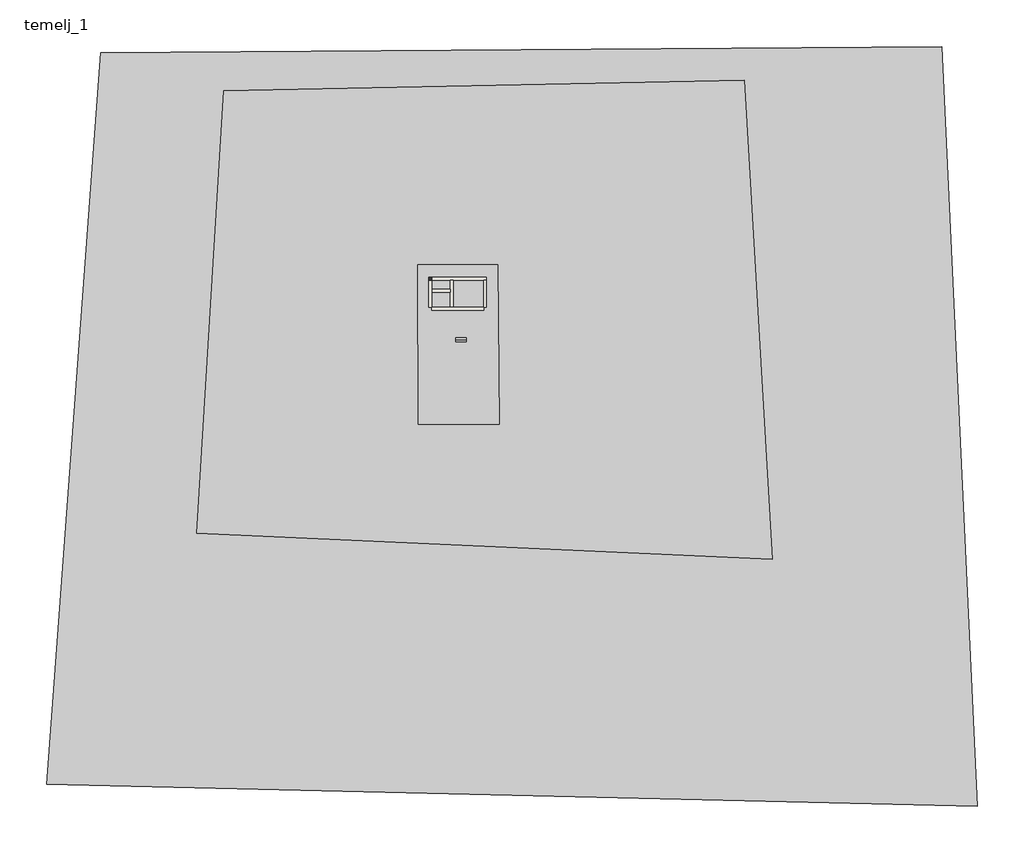
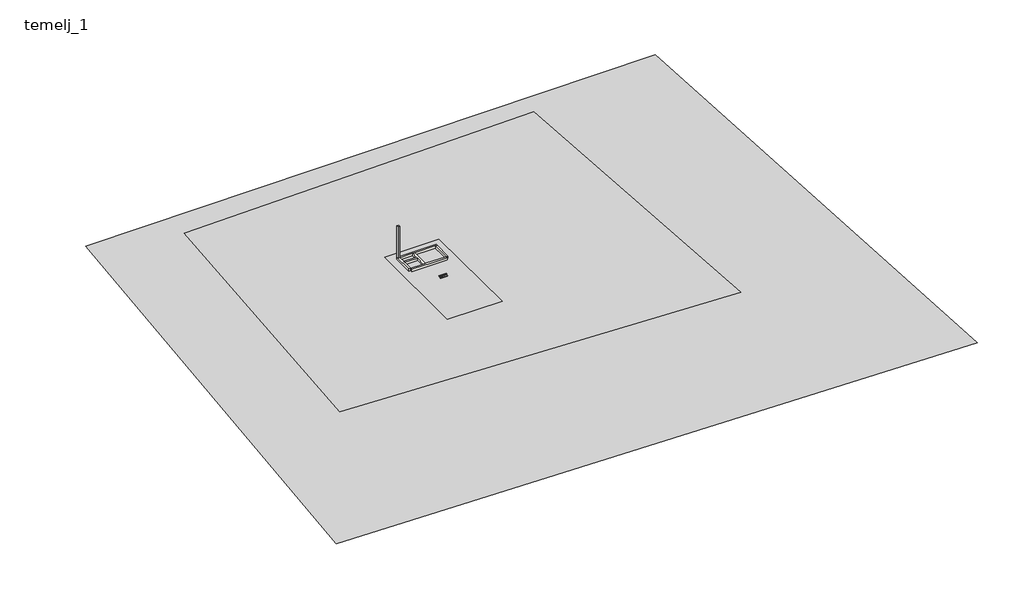
# One storey: 6 footings, 6 walls, 3 proxies, 1 column, 1 stair flight.
"""IFC4 building model written with IfcOpenShell, lengths in millimetres."""

import ifcopenshell
import ifcopenshell.guid

model = None  # the IFC model being written
_history = None  # IfcOwnerHistory: only IFC2X3 demands one
_inside = {}  # id of a spatial element -> (the spatial element, [elements in it])
_under = {}  # id of a project, library or spatial element -> (it, [spatial elements below it])
_declared = {}  # id of a project -> (the project, [libraries it declares])
_typed = {}  # id of a type object -> (the type object, [elements of that type])
_made_of = {}  # id of a material, layer set ... -> (it, [elements and type objects made of it])


def new_model(schema):
    """Start an empty IFC model of exactly this schema.

    Asked for "IFC4X3", IfcOpenShell would pick the latest addendum, in which some entities
    have other attributes; the version numbers below select the first issue.
    IFC2X3 requires an IfcOwnerHistory on every rooted entity: one is made here for all.
    """
    global model, _history
    if schema == "IFC4X3":
        model = ifcopenshell.file(schema_version=(4, 3, 0, 0))
    else:
        model = ifcopenshell.file(schema=schema)
    _inside.clear()
    _under.clear()
    _declared.clear()
    _typed.clear()
    _made_of.clear()
    _history = None
    if model.schema == "IFC2X3":
        org = make("IfcOrganization", Name="unknown")
        user = make(
            "IfcPersonAndOrganization",
            ThePerson=make("IfcPerson", FamilyName="unknown"),
            TheOrganization=org,
        )
        app = make(
            "IfcApplication",
            ApplicationDeveloper=org,
            Version="unknown",
            ApplicationFullName="unknown",
            ApplicationIdentifier="unknown",
        )
        _history = make(
            "IfcOwnerHistory",
            OwningUser=user,
            OwningApplication=app,
            ChangeAction="ADDED",
            CreationDate=0,
        )
    return model


def make(cls, **values):
    """One entity of the class cls with the attributes given. An attribute that is None is left unset."""
    return model.create_entity(
        cls, **{name: value for name, value in values.items() if value is not None}
    )


def rooted(cls, **values):
    """An entity with a GlobalId (a new one), such as an element, a storey or a relation."""
    return make(cls, GlobalId=ifcopenshell.guid.new(), OwnerHistory=_history, **values)


def si_unit(unit_type, name, prefix=None):
    """IfcSIUnit, for example si_unit("LENGTHUNIT", "METRE", prefix="MILLI")."""
    return make("IfcSIUnit", UnitType=unit_type, Prefix=prefix, Name=name)


def assignment(units):
    """IfcUnitAssignment: the units of a project."""
    return None if units is None else make("IfcUnitAssignment", Units=units)


def point(xyz):
    """IfcCartesianPoint."""
    return None if xyz is None else make("IfcCartesianPoint", Coordinates=xyz)


def direction(xyz):
    """IfcDirection."""
    return None if xyz is None else make("IfcDirection", DirectionRatios=xyz)


def frame(location, z_axis=None, x_axis=None):
    """IfcAxis2Placement3D, a coordinate frame: its origin and axes. An axis left out is left unset."""
    return make(
        "IfcAxis2Placement3D",
        Location=point(location),
        Axis=direction(z_axis),
        RefDirection=direction(x_axis),
    )


def origin():
    """The frame at (0, 0, 0) with its axes left unset."""
    return frame((0.0, 0.0, 0.0))


def place(relative_to, where):
    """IfcLocalPlacement: puts the frame where relative to a parent placement (None: the world)."""
    return make(
        "IfcLocalPlacement", PlacementRelTo=relative_to, RelativePlacement=where
    )


def context(
    kind, dimensions, precision=None, world=None, true_north=None, identifier=None
):
    """IfcGeometricRepresentationContext, for example the 3D "Model" context."""
    return make(
        "IfcGeometricRepresentationContext",
        ContextIdentifier=identifier,
        ContextType=kind,
        CoordinateSpaceDimension=dimensions,
        Precision=precision,
        WorldCoordinateSystem=world,
        TrueNorth=true_north,
    )


def project(units=None, contexts=None):
    """IfcProject with its units and contexts."""
    return rooted(
        "IfcProject",
        Name="project",
        RepresentationContexts=contexts,
        UnitsInContext=assignment(units),
    )


def spatial(cls, under=None, at=None, **own):
    """A site, building, storey or space (cls), placed at a placement, below another one or the project."""
    s = rooted(cls, ObjectPlacement=at, **own)
    if under is not None:
        _under.setdefault(under.id(), (under, []))[1].append(s)
    return s


def polyline(points):
    """IfcPolyline through the points."""
    return make("IfcPolyline", Points=[point(p) for p in points])


def point_list(points):
    """IfcCartesianPointList2D or 3D."""
    cls = (
        "IfcCartesianPointList2D" if len(points[0]) == 2 else "IfcCartesianPointList3D"
    )
    return make(cls, CoordList=points)


def outline(outer, holes=None, kind="AREA"):
    """IfcArbitraryClosedProfileDef: a profile drawn as a closed curve; with holes, ...WithVoids."""
    if holes is None:
        return make("IfcArbitraryClosedProfileDef", ProfileType=kind, OuterCurve=outer)
    return make(
        "IfcArbitraryProfileDefWithVoids",
        ProfileType=kind,
        OuterCurve=outer,
        InnerCurves=holes,
    )


def extrude(swept, where, along, depth):
    """IfcExtrudedAreaSolid: the profile swept, set in the frame where, extruded along a direction by depth."""
    return make(
        "IfcExtrudedAreaSolid",
        SweptArea=swept,
        Position=where,
        ExtrudedDirection=direction(along),
        Depth=depth,
    )


def faces_of(points, faces, orient=None, outer=None):
    """IfcFace entities. A face is a list of loops; a loop is a list of indices into points, from 0.

    orient and outer hold one flag for each loop. By default every Orientation is true, the
    first loop of a face is its IfcFaceOuterBound and the others are IfcFaceBound.
    """
    made = []
    for i, loops in enumerate(faces):
        bounds = []
        for j, loop in enumerate(loops):
            is_outer = j == 0 if outer is None else outer[i][j]
            bounds.append(
                make(
                    "IfcFaceOuterBound" if is_outer else "IfcFaceBound",
                    Bound=make("IfcPolyLoop", Polygon=[points[k] for k in loop]),
                    Orientation=True if orient is None else orient[i][j],
                )
            )
        made.append(make("IfcFace", Bounds=bounds))
    return made


def faceted_brep(points, faces, orient=None, outer=None, voids=None):
    """IfcFacetedBrep: a solid bounded by flat faces; with voids (closed shells), ...WithVoids."""
    shared = [point(p) for p in points]
    hull = make("IfcClosedShell", CfsFaces=faces_of(shared, faces, orient, outer))
    if voids is None:
        return make("IfcFacetedBrep", Outer=hull)
    return make(
        "IfcFacetedBrepWithVoids",
        Outer=hull,
        Voids=[
            make(cls, CfsFaces=faces_of(shared, fs, o, b)) for cls, fs, o, b in voids
        ],
    )


def triangles(points, corners, closed=None, point_numbers=None):
    """IfcTriangulatedFaceSet: each triangle names its three corners, points numbered from 1."""
    return make(
        "IfcTriangulatedFaceSet",
        Coordinates=point_list(points),
        Closed=closed,
        CoordIndex=corners,
        PnIndex=point_numbers,
    )


def shape(context_of_items, identifier, shape_type, items):
    """IfcShapeRepresentation: the items that make up one representation, for example the "Body"."""
    return make(
        "IfcShapeRepresentation",
        ContextOfItems=context_of_items,
        RepresentationIdentifier=identifier,
        RepresentationType=shape_type,
        Items=items,
    )


def source(mapping_origin, context_of_items, identifier, shape_type, items):
    """IfcRepresentationMap: a shape defined once, which mapped items show again and again."""
    return make(
        "IfcRepresentationMap",
        MappingOrigin=mapping_origin,
        MappedRepresentation=shape(context_of_items, identifier, shape_type, items),
    )


def transform(
    local_origin,
    x_axis=None,
    y_axis=None,
    z_axis=None,
    scale=None,
    scale2=None,
    scale3=None,
    uniform=True,
):
    """IfcCartesianTransformationOperator3D, or its non-uniform kind. x_axis, y_axis, z_axis: its Axis1, 2, 3."""
    if uniform:
        return make(
            "IfcCartesianTransformationOperator3D",
            Axis1=direction(x_axis),
            Axis2=direction(y_axis),
            LocalOrigin=point(local_origin),
            Scale=scale,
            Axis3=direction(z_axis),
        )
    return make(
        "IfcCartesianTransformationOperator3DnonUniform",
        Axis1=direction(x_axis),
        Axis2=direction(y_axis),
        LocalOrigin=point(local_origin),
        Scale=scale,
        Axis3=direction(z_axis),
        Scale2=scale2,
        Scale3=scale3,
    )


def mapped(mapping_source, mapping_target):
    """IfcMappedItem: shows the shape of a source again, moved by a transform."""
    return make(
        "IfcMappedItem", MappingSource=mapping_source, MappingTarget=mapping_target
    )


def made_of(thing, what):
    """Note that an element or type object is made of a material, layer set ...; save() writes the relation."""
    if what is not None:
        _made_of.setdefault(what.id(), (what, []))[1].append(thing)
    return thing


def element(
    cls,
    number,
    at=None,
    inside=None,
    cuts=None,
    type_object=None,
    material=None,
    context=None,
    identifier="Body",
    shape_type=None,
    held_by="IfcProductDefinitionShape",
    body=None,
    shapes=None,
    **own,
):
    """One element of the class cls, such as IfcWall. Its Tag is "e" and its number.

    at: its placement. inside: the storey or other place that contains it. cuts: it is an
    opening in that element (IfcRelVoidsElement). A single representation is given by context,
    identifier, shape_type and body (its items); several are given by shapes. held_by: the class
    of the entity that holds the representations. save() writes the other relations.
    """
    e = rooted(cls, Tag="e%d" % number, ObjectPlacement=at, **own)
    if body is not None:
        shapes = [shape(context, identifier, shape_type, body)]
    if shapes is not None:
        e.Representation = make(held_by, Representations=shapes)
    if inside is not None:
        _inside.setdefault(inside.id(), (inside, []))[1].append(e)
    if cuts is not None:
        rooted(
            "IfcRelVoidsElement", RelatingBuildingElement=cuts, RelatedOpeningElement=e
        )
    if type_object is not None:
        _typed.setdefault(type_object.id(), (type_object, []))[1].append(e)
    return made_of(e, material)


def aggregate(whole, parts):
    """IfcRelAggregates: a whole, such as a stair, and the parts it consists of."""
    return rooted("IfcRelAggregates", RelatingObject=whole, RelatedObjects=parts)


def save(model, path):
    """Write the relations noted so far, then the file.

    IfcRelAggregates (storeys below a building ...), IfcRelContainedInSpatialStructure (elements
    in a storey), IfcRelDefinesByType, IfcRelAssociatesMaterial and IfcRelDeclares: one each for
    every whole, place, type object, material and project.
    """
    for whole, parts in _under.values():
        aggregate(whole, parts)
    for where, things in _inside.values():
        rooted(
            "IfcRelContainedInSpatialStructure",
            RelatedElements=things,
            RelatingStructure=where,
        )
    for kind, things in _typed.values():
        rooted("IfcRelDefinesByType", RelatedObjects=things, RelatingType=kind)
    for what, things in _made_of.values():
        rooted("IfcRelAssociatesMaterial", RelatedObjects=things, RelatingMaterial=what)
    for by, libraries in _declared.values():
        rooted("IfcRelDeclares", RelatingContext=by, RelatedDefinitions=libraries)
    model.write(path)


def concrete_rectangular_column_stub_40x40_65fbe33f(model_context):
    return source(origin(), model_context, "Body", "SweptSolid", [
        extrude(outline(polyline([(200.0, 200.0), (200.0, -200.0), (-200.0, -200.0), (-200.0, 200.0), (200.0, 200.0)])), frame((0.0, 0.0, -1000.0), z_axis=(0.0, 0.0, 1.0), x_axis=(1.0, 0.0, 0.0)), (0.0, 0.0, 1.0), 7800.0),
    ])


model = new_model("IFC4")

# Units and contexts
model_context = context("Model", 3, world=origin())
ifc_project = project(units=[si_unit("LENGTHUNIT", "METRE", prefix="MILLI")], contexts=[model_context])

# Site, building, storey
site = spatial("IfcSite", under=ifc_project)
building = spatial("IfcBuilding", under=site)
storey = spatial("IfcBuildingStorey", under=building, Name="temelj_1", Elevation=-1000.0)

# Proxies
placement = place(None, origin())
element("IfcBuildingElementProxy", 1, Name="Building Element Proxy", at=placement, inside=storey, context=model_context, shape_type="Tessellation", body=[
    triangles([(4914.8813965, 10210.6895416, -494.8530433), (16010.861087, 10210.6895416, -494.8530433), (16171.7338257, -11949.8240845, -494.8530433), (4969.121109, -11942.1059509, -494.8530433)], [[1, 4, 2], [3, 2, 4]], closed=False),
])
element("IfcBuildingElementProxy", 2, Name="Building Element Proxy", at=placement, inside=storey, context=model_context, shape_type="Tessellation", body=[
    triangles([(-22030.6389954, 34340.9759583, -525.0044369), (50185.0483887, 35833.3802124, -525.0044369), (54081.8802979, -30661.4331116, -525.0044369), (-25761.6438171, -27096.2507263, -525.0044369)], [[1, 4, 2], [3, 2, 4]], closed=False),
])
element("IfcBuildingElementProxy", 3, Name="Building Element Proxy", at=placement, inside=storey, context=model_context, shape_type="Tessellation", body=[
    triangles([(-39086.4560669, 39615.8656128, -600.0000046), (77648.4232178, 40485.9427368, -600.0000046), (82578.8385498, -64937.9804443, -600.0000046), (-46627.0934692, -61892.7244629, -600.0000046)], [[1, 4, 3], [3, 2, 1]], closed=False),
])

# Column
concrete_rectangular_column_stub_40x40_shape = concrete_rectangular_column_stub_40x40_65fbe33f(model_context)
element("IfcColumn", 4, ObjectType="Concrete-Rectangular-Column : stub_40x40", at=placement, inside=storey, context=model_context, shape_type="MappedRepresentation", body=[
    mapped(concrete_rectangular_column_stub_40x40_shape, transform((6629.49375, 8278.8148516, 0.0), x_axis=(1.0, 0.0, 0.0), y_axis=(0.0, 1.0, 0.0), z_axis=(0.0, 0.0, 1.0))),
])

# Footings
element("IfcFooting", 5, at=placement, inside=storey, context=model_context, shape_type="Brep", body=[
    faceted_brep([(6229.49375, 7878.8148516, -1000.0), (7029.49375, 7878.8148516, -1000.0), (9229.49375, 7878.8148516, -1000.0), (10029.49375, 7878.8148516, -1000.0), (13829.49375, 7878.8148516, -1000.0), (14629.49375, 7878.8148516, -1000.0), (14629.49375, 8678.8148516, -1000.0), (6229.49375, 8678.8148516, -1000.0), (6229.49375, 8678.8148516, -1500.0), (14629.49375, 8678.8148516, -1500.0), (6229.49375, 7878.8148516, -1500.0), (14629.49375, 7878.8148516, -1500.0), (13829.49375, 7878.8148516, -1500.0), (10029.49375, 7878.8148516, -1500.0), (9229.49375, 7878.8148516, -1500.0), (7029.49375, 7878.8148516, -1500.0)], [[[0, 1, 2, 3, 4, 5, 6, 7]], [[8, 7, 6, 9]], [[10, 8, 9, 11, 12, 13, 14, 15]], [[0, 10, 15, 14, 13, 12, 11, 5, 4, 3, 2, 1]], [[0, 7, 8, 10]], [[6, 5, 11, 9]]]),
])
element("IfcFooting", 6, at=placement, inside=storey, context=model_context, shape_type="Brep", body=[
    faceted_brep([(6429.49375, 4278.8148516, -1000.0), (7029.49375, 4278.8148516, -1000.0), (7029.49375, 4478.8148516, -1000.0), (7029.49375, 6178.8148516, -1000.0), (7029.49375, 6978.8148516, -1000.0), (7029.49375, 7878.8148516, -1000.0), (6229.49375, 7878.8148516, -1000.0), (6229.49375, 3678.8148516, -1000.0), (6429.49375, 3678.8148516, -1000.0), (6229.49375, 3678.8148516, -1500.0), (6229.49375, 7878.8148516, -1500.0), (7029.49375, 4278.8148516, -1500.0), (6429.49375, 4278.8148516, -1500.0), (6429.49375, 3678.8148516, -1500.0), (7029.49375, 7878.8148516, -1500.0), (7029.49375, 6978.8148516, -1500.0), (7029.49375, 6178.8148516, -1500.0), (7029.49375, 4478.8148516, -1500.0)], [[[0, 1, 2, 3, 4, 5, 6, 7, 8]], [[9, 7, 6, 10]], [[11, 12, 13, 9, 10, 14, 15, 16, 17]], [[1, 11, 17, 16, 15, 14, 5, 4, 3, 2]], [[1, 0, 12, 11]], [[8, 13, 12, 0]], [[6, 5, 14, 10]], [[7, 9, 13, 8]]]),
    faceted_brep([(7029.49375, 3678.8148516, -1000.0), (7029.49375, 3878.8148516, -1000.0), (6829.49375, 3878.8148516, -1000.0), (6829.49375, 3678.8148516, -1000.0), (7029.49375, 3878.8148516, -1500.0), (7029.49375, 3678.8148516, -1500.0), (6829.49375, 3678.8148516, -1500.0), (6829.49375, 3878.8148516, -1500.0)], [[[0, 1, 2, 3]], [[4, 5, 6, 7]], [[0, 5, 4, 1]], [[5, 0, 3, 6]], [[1, 4, 7, 2]], [[3, 2, 7, 6]]]),
])
element("IfcFooting", 7, at=placement, inside=storey, context=model_context, shape_type="Brep", body=[
    faceted_brep([(10029.49375, 3678.8148516, -1000.0), (10029.49375, 3878.8148516, -1000.0), (10029.49375, 4278.8148516, -1000.0), (10029.49375, 4478.8148516, -1000.0), (10029.49375, 7878.8148516, -1000.0), (9229.49375, 7878.8148516, -1000.0), (9229.49375, 6978.8148516, -1000.0), (9229.49375, 6178.8148516, -1000.0), (9229.49375, 4478.8148516, -1000.0), (9229.49375, 4278.8148516, -1000.0), (9229.49375, 3878.8148516, -1000.0), (9229.49375, 3678.8148516, -1000.0), (9229.49375, 3678.8148516, -1500.0), (9229.49375, 7878.8148516, -1500.0), (9229.49375, 6978.8148516, -1500.0), (9229.49375, 6178.8148516, -1500.0), (9229.49375, 4478.8148516, -1500.0), (9229.49375, 4278.8148516, -1500.0), (9229.49375, 3878.8148516, -1500.0), (10029.49375, 3678.8148516, -1500.0), (10029.49375, 7878.8148516, -1500.0), (10029.49375, 4478.8148516, -1500.0), (10029.49375, 4278.8148516, -1500.0), (10029.49375, 3878.8148516, -1500.0)], [[[0, 1, 2, 3, 4, 5, 6, 7, 8, 9, 10, 11]], [[12, 11, 10, 9, 8, 7, 6, 5, 13, 14, 15, 16, 17, 18]], [[19, 12, 18, 17, 16, 15, 14, 13, 20, 21, 22, 23]], [[0, 19, 23, 22, 21, 20, 4, 3, 2, 1]], [[5, 4, 20, 13]], [[0, 11, 12, 19]]]),
])
element("IfcFooting", 8, at=placement, inside=storey, context=model_context, shape_type="Brep", body=[
    faceted_brep([(13829.49375, 4278.8148516, -1000.0), (14429.49375, 4278.8148516, -1000.0), (14429.49375, 3678.8148516, -1000.0), (14629.49375, 3678.8148516, -1000.0), (14629.49375, 7878.8148516, -1000.0), (13829.49375, 7878.8148516, -1000.0), (13829.49375, 4478.8148516, -1000.0), (14629.49375, 3678.8148516, -1500.0), (14629.49375, 7878.8148516, -1500.0), (14429.49375, 4278.8148516, -1500.0), (13829.49375, 4278.8148516, -1500.0), (13829.49375, 4478.8148516, -1500.0), (13829.49375, 7878.8148516, -1500.0), (14429.49375, 3678.8148516, -1500.0)], [[[0, 1, 2, 3, 4, 5, 6]], [[3, 7, 8, 4]], [[9, 10, 11, 12, 8, 7, 13]], [[10, 0, 6, 5, 12, 11]], [[1, 0, 10, 9]], [[13, 2, 1, 9]], [[5, 4, 8, 12]], [[7, 3, 2, 13]]]),
    faceted_brep([(13829.49375, 3878.8148516, -1000.0), (13829.49375, 3678.8148516, -1000.0), (14029.49375, 3678.8148516, -1000.0), (14029.49375, 3878.8148516, -1000.0), (13829.49375, 3678.8148516, -1500.0), (13829.49375, 3878.8148516, -1500.0), (14029.49375, 3878.8148516, -1500.0), (14029.49375, 3678.8148516, -1500.0)], [[[0, 1, 2, 3]], [[4, 5, 6, 7]], [[4, 1, 0, 5]], [[1, 4, 7, 2]], [[5, 0, 3, 6]], [[3, 2, 7, 6]]]),
])
element("IfcFooting", 9, at=placement, inside=storey, context=model_context, shape_type="SweptSolid", body=[
    extrude(outline(polyline([(7029.49375, 6178.8148516), (7029.49375, 6978.8148516), (9229.49375, 6978.8148516), (9229.49375, 6178.8148516), (7029.49375, 6178.8148516)])), frame((0.0, 0.0, -1500.0), z_axis=(0.0, 0.0, 1.0), x_axis=(1.0, 0.0, 0.0)), (0.0, 0.0, 1.0), 500.0),
])
element("IfcFooting", 10, at=placement, inside=storey, context=model_context, shape_type="SweptSolid", body=[
    extrude(outline(polyline([(7029.49375, 4278.8148516), (7029.49375, 4478.8148516), (9229.49375, 4478.8148516), (9229.49375, 4278.8148516), (7029.49375, 4278.8148516)])), frame((0.0, 0.0, -1500.0), z_axis=(0.0, 0.0, 1.0), x_axis=(1.0, 0.0, 0.0)), (0.0, 0.0, 1.0), 500.0),
    extrude(outline(polyline([(7029.49375, 3678.8148516), (7029.49375, 3878.8148516), (9229.49375, 3878.8148516), (9229.49375, 3678.8148516), (7029.49375, 3678.8148516)])), frame((0.0, 0.0, -1500.0), z_axis=(0.0, 0.0, 1.0), x_axis=(1.0, 0.0, 0.0)), (0.0, 0.0, 1.0), 500.0),
    extrude(outline(polyline([(10029.49375, 4278.8148516), (10029.49375, 4478.8148516), (13829.49375, 4478.8148516), (13829.49375, 4278.8148516), (10029.49375, 4278.8148516)])), frame((0.0, 0.0, -1500.0), z_axis=(0.0, 0.0, 1.0), x_axis=(1.0, 0.0, 0.0)), (0.0, 0.0, 1.0), 500.0),
    extrude(outline(polyline([(10029.49375, 3678.8148516), (10029.49375, 3878.8148516), (13829.49375, 3878.8148516), (13829.49375, 3678.8148516), (10029.49375, 3678.8148516)])), frame((0.0, 0.0, -1500.0), z_axis=(0.0, 0.0, 1.0), x_axis=(1.0, 0.0, 0.0)), (0.0, 0.0, 1.0), 500.0),
])

# Stair flight
element("IfcStairFlight", 11, ObjectType="2\" Tread 1\" Nosing 1/4\" Riser", at=placement, inside=storey, context=model_context, shape_type="Brep", body=[
    faceted_brep([(10149.49375, -492.208199, -333.3333333), (11621.3464913, -492.208199, -333.3333333), (11621.3464913, -193.758199, -333.3333333), (10149.49375, -193.758199, -333.3333333), (10149.49375, -193.758199, -407.272853), (10149.49375, -349.2059882, -500.0), (10149.49375, -473.158199, -500.0), (11621.3464913, -473.158199, -500.0), (11621.3464913, -349.2059882, -500.0), (11621.3464913, -193.758199, -407.272853), (10149.49375, -212.808199, -166.6666667), (11621.3464913, -212.808199, -166.6666667), (11621.3464913, 66.591801, -166.6666667), (10149.49375, 66.591801, -166.6666667), (10149.49375, 66.591801, -251.9698227), (11621.3464913, 66.591801, -251.9698227)], [[[0, 1, 2, 3]], [[0, 3, 4, 5, 6]], [[2, 1, 7, 8, 9]], [[10, 11, 12, 13]], [[10, 13, 14, 4, 3]], [[12, 11, 2, 9, 15]], [[13, 12, 15, 14]], [[1, 0, 6, 7]], [[3, 2, 11, 10]], [[7, 6, 5, 8]], [[8, 5, 4, 14, 15, 9]]]),
])

# Walls
element("IfcWall", 12, at=placement, inside=storey, context=model_context, shape_type="Brep", body=[
    faceted_brep([(6829.49375, 4278.8148516, -1000.0), (6829.49375, 6378.8148516, -1000.0), (6829.49375, 6778.8148516, -1000.0), (6829.49375, 8078.8148516, -1000.0), (6829.49375, 8478.8148516, -1000.0), (6829.49375, 8478.8148516, 0.0), (6829.49375, 8078.8148516, 0.0), (6829.49375, 6778.8148516, 0.0), (6829.49375, 6378.8148516, 0.0), (6829.49375, 4278.8148516, 0.0), (6429.49375, 4278.8148516, -1000.0), (6429.49375, 4278.8148516, 0.0), (6429.49375, 8478.8148516, 0.0), (6429.49375, 8478.8148516, -1000.0)], [[[0, 1, 2, 3, 4, 5, 6, 7, 8, 9]], [[10, 11, 12, 13]], [[4, 3, 2, 1, 0, 10, 13]], [[9, 8, 7, 6, 5, 12, 11]], [[0, 9, 11, 10]], [[5, 4, 13, 12]]]),
])
element("IfcWall", 13, at=placement, inside=storey, context=model_context, shape_type="Brep", body=[
    faceted_brep([(6829.49375, 8078.8148516, -1000.0), (9429.49375, 8078.8148516, -1000.0), (9829.49375, 8078.8148516, -1000.0), (14029.49375, 8078.8148516, -1000.0), (14429.49375, 8078.8148516, -1000.0), (14429.49375, 8078.8148516, 0.0), (14029.49375, 8078.8148516, 0.0), (9829.49375, 8078.8148516, 0.0), (9429.49375, 8078.8148516, 0.0), (6829.49375, 8078.8148516, 0.0), (6829.49375, 8478.8148516, -1000.0), (6829.49375, 8478.8148516, 0.0), (14429.49375, 8478.8148516, 0.0), (14429.49375, 8478.8148516, -1000.0)], [[[0, 1, 2, 3, 4, 5, 6, 7, 8, 9]], [[10, 11, 12, 13]], [[4, 3, 2, 1, 0, 10, 13]], [[9, 8, 7, 6, 5, 12, 11]], [[0, 9, 11, 10]], [[5, 4, 13, 12]]]),
])
element("IfcWall", 14, at=placement, inside=storey, context=model_context, shape_type="SweptSolid", body=[
    extrude(outline(polyline([(14029.49375, 4278.8148516), (14029.49375, 8078.8148516), (14429.49375, 8078.8148516), (14429.49375, 4278.8148516), (14029.49375, 4278.8148516)])), frame((0.0, 0.0, -1000.0), z_axis=(0.0, 0.0, 1.0), x_axis=(1.0, 0.0, 0.0)), (0.0, 0.0, 1.0), 1000.0),
])
element("IfcWall", 15, at=placement, inside=storey, context=model_context, shape_type="SweptSolid", body=[
    extrude(outline(polyline([(9429.49375, 6378.8148516), (6829.49375, 6378.8148516), (6829.49375, 6778.8148516), (9429.49375, 6778.8148516), (9429.49375, 6378.8148516)])), frame((0.0, 0.0, -1000.0), z_axis=(0.0, 0.0, 1.0), x_axis=(1.0, 0.0, 0.0)), (0.0, 0.0, 1.0), 1000.0),
])
element("IfcWall", 16, at=placement, inside=storey, context=model_context, shape_type="Brep", body=[
    faceted_brep([(6829.49375, 3878.8148516, -1000.0), (14029.49375, 3878.8148516, -1000.0), (14029.49375, 3878.8148516, 0.0), (10069.49375, 3878.8148516, 0.0), (9669.49375, 3878.8148516, 0.0), (6829.49375, 3878.8148516, 0.0), (6829.49375, 4278.8148516, -1000.0), (6829.49375, 4278.8148516, 0.0), (9429.49375, 4278.8148516, 0.0), (9829.49375, 4278.8148516, 0.0), (14029.49375, 4278.8148516, 0.0), (14029.49375, 4278.8148516, -1000.0), (9829.49375, 4278.8148516, -1000.0), (9429.49375, 4278.8148516, -1000.0)], [[[0, 1, 2, 3, 4, 5]], [[6, 7, 8, 9, 10, 11, 12, 13]], [[1, 0, 6, 13, 12, 11]], [[5, 4, 3, 2, 10, 9, 8, 7]], [[2, 1, 11, 10]], [[0, 5, 7, 6]]]),
])
element("IfcWall", 17, at=placement, inside=storey, context=model_context, shape_type="Brep", body=[
    faceted_brep([(9829.49375, 4278.8148516, -1000.0), (9829.49375, 8078.8148516, -1000.0), (9829.49375, 8078.8148516, 0.0), (9829.49375, 4278.8148516, 0.0), (9429.49375, 4278.8148516, -1000.0), (9429.49375, 4278.8148516, 0.0), (9429.49375, 6378.8148516, 0.0), (9429.49375, 6778.8148516, 0.0), (9429.49375, 8078.8148516, 0.0), (9429.49375, 8078.8148516, -1000.0), (9429.49375, 6778.8148516, -1000.0), (9429.49375, 6378.8148516, -1000.0)], [[[0, 1, 2, 3]], [[4, 5, 6, 7, 8, 9, 10, 11]], [[1, 0, 4, 11, 10, 9]], [[3, 2, 8, 7, 6, 5]], [[2, 1, 9, 8]], [[0, 3, 5, 4]]]),
])

save(model, "model.ifc")
